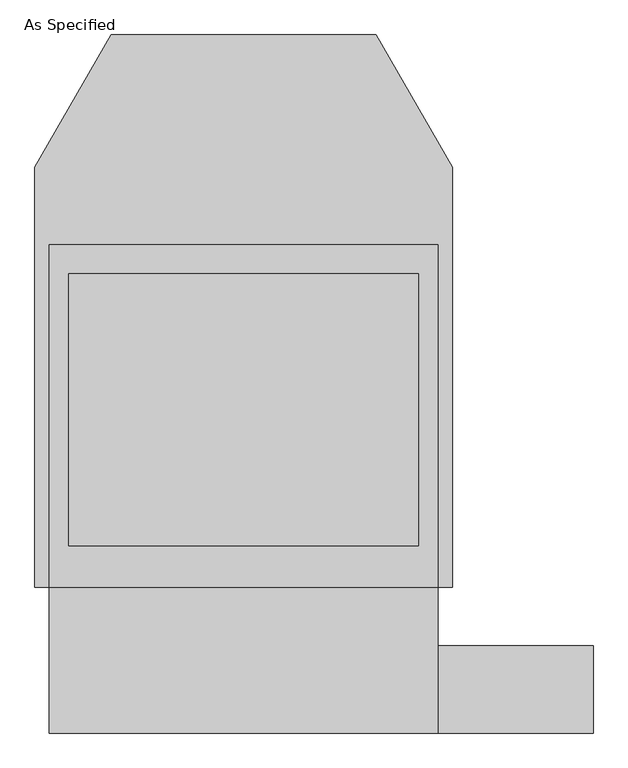
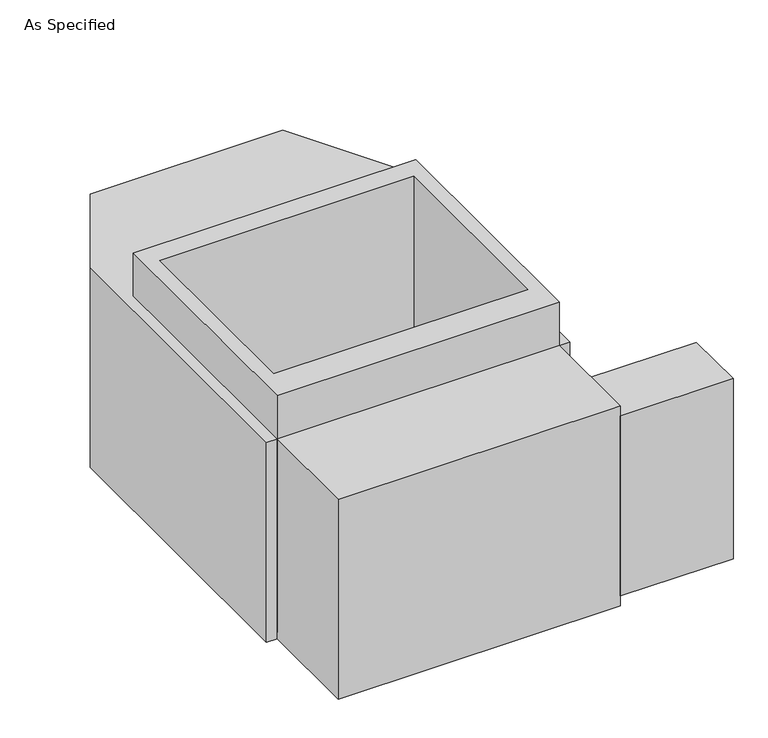
"""IFC4 building model written with IfcOpenShell, lengths in millimetres: proxy geometry, As Specified."""

from ifc_helpers import new_model, si_unit, frame, origin, place, context, project, spatial, polyline, outline, extrude, faceted_brep, source, transform, mapped, element, save


def as_specified_bad11af9(model_context):
    return source(origin(), model_context, "Body", "SolidModel", [
        extrude(outline(polyline([(508.0, -912.5148438), (508.0, -683.9148438), (914.4, -683.9148438), (914.4, -912.5148438), (508.0, -912.5148438)])), frame((0.0, 0.0, -749.3), z_axis=(0.0, 0.0, 1.0), x_axis=(1.0, 0.0, 0.0)), (0.0, 0.0, 1.0), 685.8),
        extrude(outline(polyline([(508.0, 363.8351562), (508.0, -531.5148438), (-508.0, -531.5148438), (-508.0, 363.8351562), (508.0, 363.8351562)]), holes=[polyline([(-457.2, 287.6748437), (-457.2, -423.5251563), (457.2, -423.5251563), (457.2, 287.6748437), (-457.2, 287.6748437)])]), frame((0.0, 0.0, -762.0), z_axis=(0.0, 0.0, 1.0), x_axis=(1.0, 0.0, 0.0)), (0.0, 0.0, 1.0), 901.7),
        faceted_brep([(508.0, -912.5148438, -787.4), (-508.0, -912.5148438, -787.4), (-508.0, -531.5148438, -787.4), (-546.1, -531.5148438, -787.4), (-546.1, 567.0748437, -787.4), (-346.660123, 912.5148437, -787.4), (346.660123, 912.5148437, -787.4), (546.1, 567.0748437, -787.4), (546.1, -531.5148438, -787.4), (508.0, -531.5148438, -787.4), (508.0, -912.5148438, -25.4), (508.0, -531.5148438, -25.4), (546.1, -531.5148438, -25.4), (546.1, 567.0748437, -25.4), (346.660123, 912.5148437, -25.4), (-346.660123, 912.5148437, -25.4), (-546.1, 567.0748437, -25.4), (-546.1, -531.5148438, -25.4), (-508.0, -531.5148438, -25.4), (-508.0, -912.5148438, -25.4), (457.2, 287.6748437, -25.4), (457.2, -423.5251563, -25.4), (-457.2, -423.5251563, -25.4), (-457.2, 287.6748437, -25.4), (457.2, 287.6748437, -762.0), (-457.2, 287.6748437, -762.0), (-457.2, -423.5251563, -762.0), (457.2, -423.5251563, -762.0)], [[[0, 1, 2, 3, 4, 5, 6, 7, 8, 9]], [[10, 11, 12, 13, 14, 15, 16, 17, 18, 19], [20, 21, 22, 23]], [[6, 5, 15, 14]], [[3, 17, 16, 4]], [[17, 3, 2, 18]], [[8, 12, 11, 9]], [[12, 8, 7, 13]], [[0, 9, 11, 10]], [[2, 1, 19, 18]], [[1, 0, 10, 19]], [[5, 4, 16, 15]], [[7, 6, 14, 13]], [[24, 25, 26, 27]], [[24, 27, 21, 20]], [[27, 26, 22, 21]], [[26, 25, 23, 22]], [[25, 24, 20, 23]]]),
    ])


if __name__ == "__main__":
    model = new_model("IFC4")
    model_context = context("Model", 3, world=origin())
    ifc_project = project(units=[si_unit("LENGTHUNIT", "METRE", prefix="MILLI")], contexts=[model_context])
    site = spatial("IfcSite", under=ifc_project)
    building = spatial("IfcBuilding", under=site)
    placement = place(None, origin())
    as_specified_shape = as_specified_bad11af9(model_context)
    element("IfcBuildingElementProxy", 1, Name="As Specified", ObjectType="As Specified", at=placement, inside=building, context=model_context, shape_type="MappedRepresentation", body=[
        mapped(as_specified_shape, transform((0.0, 0.0, 0.0), x_axis=(1.0, 0.0, 0.0), y_axis=(0.0, 1.0, 0.0), z_axis=(0.0, 0.0, 1.0))),
    ])
    save(model, "model.ifc")
